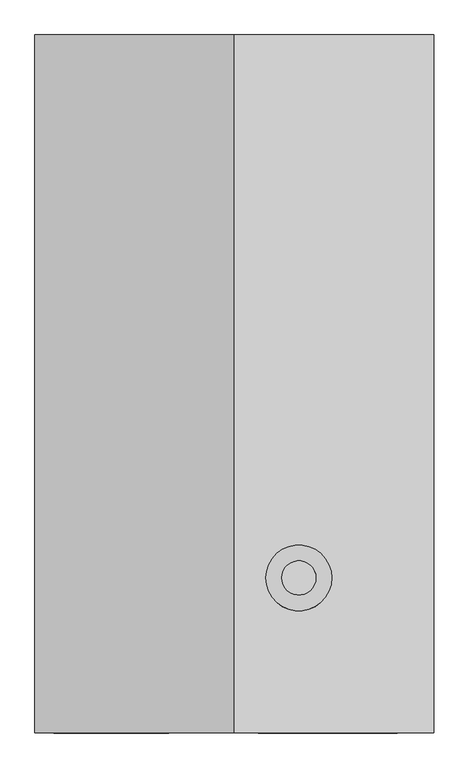
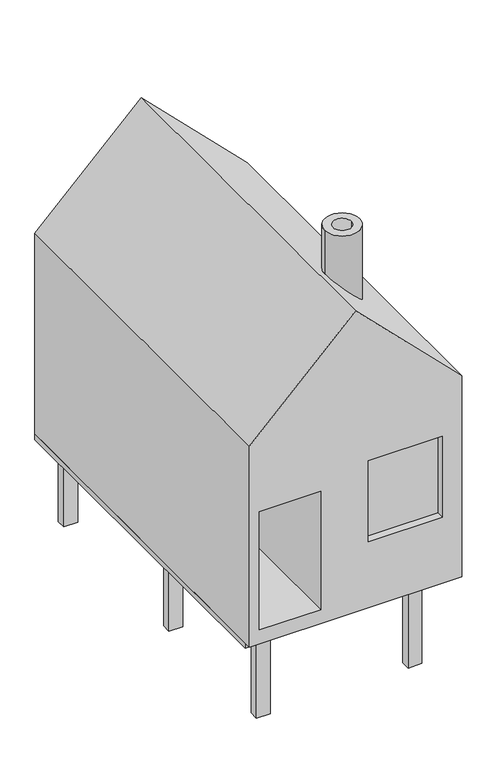
"""IFC4 building model written with IfcOpenShell, lengths in millimetres: proxy geometry."""

from ifc_helpers import new_model, si_unit, frame, origin, place, context, project, spatial, polyline, circle_curve, ellipse_curve, outline, extrude, source, transform, mapped, element, save
from ifc_brep_helpers import plane_surface, cylinder_surface, revolved_surface, advanced_brep


def generic_models_72fe1102(model_context):
    return source(origin(), model_context, "Body", "SolidModel", [
        advanced_brep(
        [(0.0, -250.0, 7000.0), (0.0, -250.0, 0.0), (7000.0, -250.0, 0.0), (7000.0, -250.0, 7000.0), (3500.0, -250.0, 10500.0), (2353.0920418, -250.0, 4608.2037863), (2353.0920418, -250.0, 481.2048146), (327.0709999, -250.0, 481.2048146), (327.0709999, -250.0, 4608.2037863), (6357.1792653, -250.0, 5130.2848961), (6357.1792653, -250.0, 2302.9199047), (3917.7442303, -250.0, 2302.9199047), (3917.7442303, -250.0, 5130.2848961), (0.0, 12000.0, 7000.0), (3500.0, 12000.0, 10500.0), (7000.0, 12000.0, 7000.0), (7000.0, 12000.0, 0.0), (0.0, 12000.0, 0.0), (2353.0920418, 12000.0, 4608.2037863), (327.0709999, 12000.0, 4608.2037863), (327.0709999, 12000.0, 481.2048146), (2353.0920418, 12000.0, 481.2048146), (5209.9338849, 2470.3539018, 8790.0661151), (4052.3502744, 2470.3539018, 9947.6497256), (4931.1420797, 2470.3539018, 9068.8579203), (4331.1420797, 2470.3539018, 9668.8579203), (6357.1792653, 0.0, 5130.2848961), (3917.7442303, 0.0, 5130.2848961), (3917.7442303, 0.0, 2302.9199047), (6357.1792653, 0.0, 2302.9199047), (4052.3502744, 2470.3539018, 11459.4687242), (5209.9338849, 2470.3539018, 11459.4687242), (4331.1420797, 2470.3539018, 11459.4687242), (4931.1420797, 2470.3539018, 11459.4687242)],
        [
            (0, 1),
            (1, 2),
            (2, 3),
            (3, 4),
            (4, 0),
            (5, 6),
            (6, 7),
            (7, 8),
            (8, 5),
            (9, 10),
            (10, 11),
            (11, 12),
            (12, 9),
            (13, 14),
            (14, 15),
            (15, 16),
            (16, 17),
            (17, 13),
            (18, 19),
            (19, 20),
            (20, 21),
            (21, 18),
            (5, 18),
            (21, 6),
            (20, 7),
            (19, 8),
            (0, 13),
            (17, 1),
            (16, 2),
            (15, 3),
            (14, 4),
            (22, 23, ellipse_curve(frame((4631.1420797, 2470.3539018, 9368.8579203), z_axis=(-0.7071067811865493, 0.0, -0.7071067811865459), x_axis=(-0.707106781186546, 0.0, 0.707106781186549)), 818.5352208, 578.7918053)),
            (23, 22, ellipse_curve(frame((4631.1420797, 2470.3539018, 9368.8579203), z_axis=(-0.7071067811865493, 0.0, -0.7071067811865459), x_axis=(-0.707106781186546, 0.0, 0.707106781186549)), 818.5352208, 578.7918053)),
            (24, 25, ellipse_curve(frame((4631.1420797, 2470.3539018, 9368.8579203), z_axis=(0.7071067811865493, 0.0, 0.7071067811865459), x_axis=(0.707106781186546, 0.0, -0.707106781186549)), 424.2640687, 300.0)),
            (25, 24, ellipse_curve(frame((4631.1420797, 2470.3539018, 9368.8579203), z_axis=(0.7071067811865493, 0.0, 0.7071067811865459), x_axis=(0.707106781186546, 0.0, -0.707106781186549)), 424.2640687, 300.0)),
            (26, 27),
            (27, 28),
            (28, 29),
            (29, 26),
            (29, 10),
            (9, 26),
            (28, 11),
            (27, 12),
            (30, 31, circle_curve(frame((4631.1420797, 2470.3539018, 11459.4687242), z_axis=(0.0, 0.0, 1.0), x_axis=(1.0, 0.0, 0.0)), 578.7918053)),
            (31, 30, circle_curve(frame((4631.1420797, 2470.3539018, 11459.4687242), z_axis=(0.0, 0.0, 1.0), x_axis=(1.0, 0.0, 0.0)), 578.7918053)),
            (32, 33, circle_curve(frame((4631.1420797, 2470.3539018, 11459.4687242), z_axis=(0.0, 0.0, -1.0), x_axis=(1.0, 0.0, 0.0)), 300.0)),
            (33, 32, circle_curve(frame((4631.1420797, 2470.3539018, 11459.4687242), z_axis=(0.0, 0.0, -1.0), x_axis=(1.0, 0.0, 0.0)), 300.0)),
            (30, 23),
            (22, 31),
            (32, 25),
            (24, 33),
        ],
        [
            plane_surface(frame((2353.0920418, -250.0, 4608.2037863), z_axis=(0.0, -1.0, 0.0), x_axis=(0.0, 0.0, -1.0))),
            plane_surface(frame((2353.0920418, 12000.0, 4608.2037863), z_axis=(0.0, 1.0, 0.0), x_axis=(0.0, 0.0, 1.0))),
            plane_surface(frame((2353.0920418, -250.0, 4608.2037863), z_axis=(-1.0, 0.0, 0.0), x_axis=(0.0, 1.0, 0.0))),
            plane_surface(frame((2353.0920418, -250.0, 481.2048146), z_axis=(0.0, 0.0, 1.0), x_axis=(0.0, 1.0, 0.0))),
            plane_surface(frame((327.0709999, -250.0, 481.2048146), z_axis=(1.0, 0.0, 0.0), x_axis=(0.0, 1.0, 0.0))),
            plane_surface(frame((327.0709999, -250.0, 4608.2037863), z_axis=(0.0, 0.0, -1.0), x_axis=(0.0, 1.0, 0.0))),
            plane_surface(frame((0.0, -250.0, 7000.0), z_axis=(-1.0, 0.0, 0.0), x_axis=(0.0, 1.0, 0.0))),
            plane_surface(frame((0.0, -250.0, 0.0), z_axis=(0.0, 0.0, -1.0), x_axis=(0.0, 1.0, 0.0))),
            plane_surface(frame((7000.0, -250.0, 0.0), z_axis=(1.0, 0.0, 0.0), x_axis=(0.0, 1.0, 0.0))),
            plane_surface(frame((7000.0, -250.0, 7000.0), z_axis=(0.7071067811865493, 0.0, 0.7071067811865459), x_axis=(0.0, 1.0, 0.0))),
            plane_surface(frame((3500.0, -250.0, 10500.0), z_axis=(-0.7071067811865469, 0.0, 0.7071067811865482), x_axis=(0.0, 1.0, 0.0))),
            plane_surface(frame((6357.1792653, 0.0, 5130.2848961), z_axis=(0.0, -1.0, 0.0), x_axis=(0.0, 0.0, -1.0))),
            plane_surface(frame((6357.1792653, 0.0, 5130.2848961), z_axis=(-1.0, 0.0, 0.0), x_axis=(0.0, -1.0, 0.0))),
            plane_surface(frame((6357.1792653, 0.0, 2302.9199047), z_axis=(0.0, 0.0, 1.0), x_axis=(0.0, -1.0, 0.0))),
            plane_surface(frame((3917.7442303, 0.0, 2302.9199047), z_axis=(1.0, 0.0, 0.0), x_axis=(0.0, -1.0, 0.0))),
            plane_surface(frame((3917.7442303, 0.0, 5130.2848961), z_axis=(0.0, 0.0, -1.0), x_axis=(0.0, -1.0, 0.0))),
            plane_surface(frame((5209.9338849, 2470.3539018, 11459.4687242), z_axis=(0.0, 0.0, 1.0), x_axis=(0.0, 1.0, 0.0))),
            cylinder_surface(frame((4631.1420797, 2470.3539018, 0.0), z_axis=(0.0, 0.0, 1.0), x_axis=(1.0, 0.0, 0.0)), 578.7918053),
            revolved_surface(polyline([(4931.1420797, 2470.3539018, 9068.8579203), (4931.1420797, 2470.3539018, 11459.4687242)]), (4631.1420797, 2470.3539018, 0.0), (0.0, 0.0, -1.0)),
        ],
        [
            (0, [[1, 2, 3, 4, 5], [6, 7, 8, 9], [10, 11, 12, 13]]),
            (1, [[14, 15, 16, 17, 18], [19, 20, 21, 22]]),
            (2, [[-6, 23, -22, 24]]),
            (3, [[-7, -24, -21, 25]]),
            (4, [[-8, -25, -20, 26]]),
            (5, [[-9, -26, -19, -23]]),
            (6, [[-1, 27, -18, 28]]),
            (7, [[-2, -28, -17, 29]]),
            (8, [[-3, -29, -16, 30]]),
            (9, [[-4, -30, -15, 31], [32, 33]]),
            (9, [[34, 35]]),
            (10, [[-5, -31, -14, -27]]),
            (11, [[36, 37, 38, 39]]),
            (12, [[-39, 40, -10, 41]]),
            (13, [[-38, 42, -11, -40]]),
            (14, [[-37, 43, -12, -42]]),
            (15, [[-36, -41, -13, -43]]),
            (16, [[44, 45], [46, 47]]),
            (17, [[-44, 48, -32, 49]]),
            (17, [[-45, -49, -33, -48]]),
            (18, [[-46, 50, -34, 51]]),
            (18, [[-47, -51, -35, -50]]),
        ],
    ),
        extrude(outline(polyline([(1000.0, 11594.2435605), (1000.0, 11287.2940877), (542.2628552, 11287.2940877), (542.2628552, 11594.2435605), (1000.0, 11594.2435605)])), frame((0.0, 0.0, -3000.0), z_axis=(0.0, 0.0, 1.0), x_axis=(1.0, 0.0, 0.0)), (0.0, 0.0, 1.0), 2800.0),
        extrude(outline(polyline([(1000.0, 5594.2435605), (1000.0, 5287.2940877), (542.2628552, 5287.2940877), (542.2628552, 5594.2435605), (1000.0, 5594.2435605)])), frame((0.0, 0.0, -3000.0), z_axis=(0.0, 0.0, 1.0), x_axis=(1.0, 0.0, 0.0)), (0.0, 0.0, 1.0), 2800.0),
        extrude(outline(polyline([(6000.0, 11594.2435605), (6000.0, 11287.2940877), (5542.2628552, 11287.2940877), (5542.2628552, 11594.2435605), (6000.0, 11594.2435605)])), frame((0.0, 0.0, -3000.0), z_axis=(0.0, 0.0, 1.0), x_axis=(1.0, 0.0, 0.0)), (0.0, 0.0, 1.0), 2800.0),
        extrude(outline(polyline([(6000.0, 5594.2435605), (6000.0, 5287.2940877), (5542.2628552, 5287.2940877), (5542.2628552, 5594.2435605), (6000.0, 5594.2435605)])), frame((0.0, 0.0, -3000.0), z_axis=(0.0, 0.0, 1.0), x_axis=(1.0, 0.0, 0.0)), (0.0, 0.0, 1.0), 2800.0),
        extrude(outline(polyline([(1000.0, 594.2435605), (1000.0, 287.2940877), (542.2628552, 287.2940877), (542.2628552, 594.2435605), (1000.0, 594.2435605)])), frame((0.0, 0.0, -3000.0), z_axis=(0.0, 0.0, 1.0), x_axis=(1.0, 0.0, 0.0)), (0.0, 0.0, 1.0), 2800.0),
        extrude(outline(polyline([(6000.0, 594.2435605), (6000.0, 287.2940877), (5542.2628552, 287.2940877), (5542.2628552, 594.2435605), (6000.0, 594.2435605)])), frame((0.0, 0.0, -3000.0), z_axis=(0.0, 0.0, 1.0), x_axis=(1.0, 0.0, 0.0)), (0.0, 0.0, 1.0), 2800.0),
        extrude(outline(polyline([(7000.0, 0.0), (0.0, 0.0), (0.0, 12000.0), (7000.0, 12000.0), (7000.0, 0.0)]), holes=[polyline([(5127.1085938, 8165.1401507), (1667.7199429, 8165.1401507), (1667.7199429, 6826.8404494), (5127.1085938, 6826.8404494), (5127.1085938, 8165.1401507)])]), frame((0.0, 0.0, -200.0), z_axis=(0.0, 0.0, 1.0), x_axis=(1.0, 0.0, 0.0)), (0.0, 0.0, 1.0), 200.0),
    ])


if __name__ == "__main__":
    model = new_model("IFC4")
    model_context = context("Model", 3, world=origin())
    ifc_project = project(units=[si_unit("LENGTHUNIT", "METRE", prefix="MILLI")], contexts=[model_context])
    site = spatial("IfcSite", under=ifc_project)
    building = spatial("IfcBuilding", under=site)
    placement = place(None, origin())
    generic_models_shape = generic_models_72fe1102(model_context)
    element("IfcBuildingElementProxy", 1, Name="Generic Models", at=placement, inside=building, context=model_context, shape_type="MappedRepresentation", body=[
        mapped(generic_models_shape, transform((0.0, 0.0, 0.0), x_axis=(1.0, 0.0, 0.0), y_axis=(0.0, 1.0, 0.0), z_axis=(0.0, 0.0, 1.0))),
    ])
    save(model, "model.ifc")
